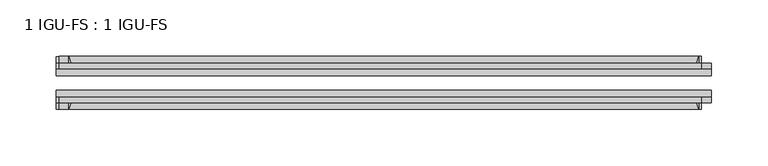
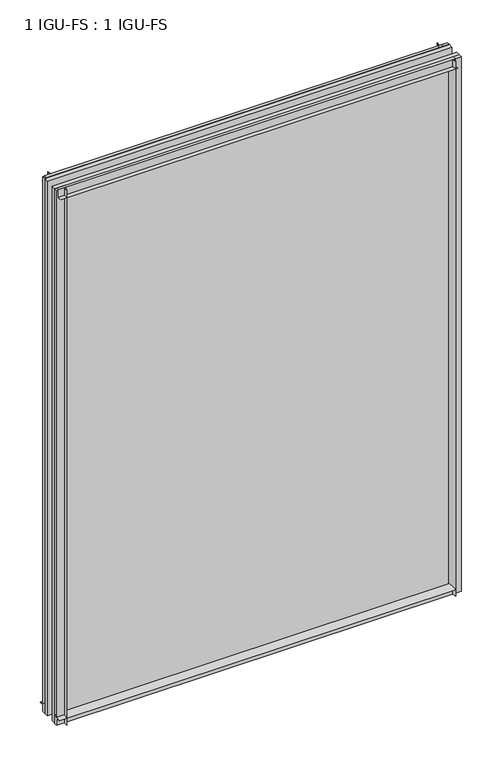
"""IFC4 building model written with IfcOpenShell, lengths in millimetres: plate geometry, 1 IGU-FS : 1 IGU-FS."""

from ifc_helpers import new_model, si_unit, point, frame, frame_2d, origin, place, context, project, spatial, polyline, circle_curve, trimmed, segment, composite_curve, outline, extrude, source, transform, mapped, element, save


def plate_1_igu_fs_1_igu_fs_b3210930(model_context):
    return source(origin(), model_context, "Body", "SweptSolid", [
        extrude(outline(composite_curve([segment(polyline([(-40.084375, 3.8978906), (-40.084375, -10.3378), (-44.859575, -10.3378), (-44.859575, 0.0), (-50.8285753, 0.0)]), True, "CONTINUOUS"), segment(trimmed(circle_curve(frame_2d((-56.4601953, 32.279754)), 32.7673262), [point((-50.8285753, 0.0))], [point((-40.084375, 3.8978906))], True, "CARTESIAN"), True, "CONTINUOUS")], self_intersect=False)), frame((-290.5121031, 0.0, 0.0), z_axis=(1.0, 0.0, 0.0), x_axis=(0.0, 1.0, 0.0)), (0.0, 0.0, 1.0), 569.9117062),
        extrude(outline(composite_curve([segment(polyline([(-3.940175, 0.0), (-9.909175, 0.0), (-9.909175, -10.3378), (-14.684375, -10.3378), (-14.684375, 3.8978906)]), True, "CONTINUOUS"), segment(trimmed(circle_curve(frame_2d((1.6914453, 32.279754)), 32.7673262), [point((-14.684375, 3.8978906))], [point((-3.940175, 0.0))], True, "CARTESIAN"), True, "CONTINUOUS")], self_intersect=False)), frame((-290.5121031, 0.0, 0.0), z_axis=(1.0, 0.0, 0.0), x_axis=(0.0, 1.0, 0.0)), (0.0, 0.0, 1.0), 569.9117062),
        extrude(outline(composite_curve([segment(polyline([(-9.909175, 801.6875), (-9.909175, 790.575), (-3.9401753, 790.575)]), True, "CONTINUOUS"), segment(trimmed(circle_curve(frame_2d((1.6914453, 758.2952461)), 32.7673262), [point((-3.9401753, 790.575))], [point((-14.684375, 786.6771095))], True, "CARTESIAN"), True, "CONTINUOUS"), segment(polyline([(-14.684375, 786.6771095), (-14.684375, 801.6875), (-9.909175, 801.6875)]), True, "CONTINUOUS")], self_intersect=False)), frame((-287.9123418, 0.0, 0.0), z_axis=(1.0, 0.0, 0.0), x_axis=(0.0, 1.0, 0.0)), (0.0, 0.0, 1.0), 569.8579064),
        extrude(outline(composite_curve([segment(polyline([(-40.084375, 801.6875), (-40.084375, 786.6771095)]), True, "CONTINUOUS"), segment(trimmed(circle_curve(frame_2d((-56.4601953, 758.2952461)), 32.7673262), [point((-40.084375, 786.6771095))], [point((-50.8285747, 790.575))], True, "CARTESIAN"), True, "CONTINUOUS"), segment(polyline([(-50.8285747, 790.575), (-44.859575, 790.575), (-44.859575, 801.6875), (-40.084375, 801.6875)]), True, "CONTINUOUS")], self_intersect=False)), frame((-287.9123418, 0.0, 0.0), z_axis=(1.0, 0.0, 0.0), x_axis=(0.0, 1.0, 0.0)), (0.0, 0.0, 1.0), 569.8579064),
        extrude(outline(composite_curve([segment(polyline([(290.5121031, -9.909175), (290.5121031, -14.684375), (275.5017126, -14.684375)]), True, "CONTINUOUS"), segment(trimmed(circle_curve(frame_2d((247.1198492, 1.6914453)), 32.7673262), [point((275.5017126, -14.684375))], [point((279.3996031, -3.940175))], True, "CARTESIAN"), True, "CONTINUOUS"), segment(polyline([(279.3996031, -3.940175), (279.3996031, -9.909175), (290.5121031, -9.909175)]), True, "CONTINUOUS")], self_intersect=False)), frame((0.0, 0.0, -10.31875), z_axis=(0.0, 0.0, 1.0), x_axis=(1.0, 0.0, 0.0)), (0.0, 0.0, 1.0), 812.00625),
        extrude(outline(composite_curve([segment(polyline([(290.5121031, -40.084375), (290.5121031, -44.859575), (279.3996031, -44.859575), (279.3996031, -50.828575)]), True, "CONTINUOUS"), segment(trimmed(circle_curve(frame_2d((247.1198492, -56.4601953)), 32.7673262), [point((279.3996031, -50.828575))], [point((275.5017126, -40.084375))], True, "CARTESIAN"), True, "CONTINUOUS"), segment(polyline([(275.5017126, -40.084375), (290.5121031, -40.084375)]), True, "CONTINUOUS")], self_intersect=False)), frame((0.0, 0.0, -10.31875), z_axis=(0.0, 0.0, 1.0), x_axis=(1.0, 0.0, 0.0)), (0.0, 0.0, 1.0), 812.00625),
        extrude(outline(composite_curve([segment(polyline([(-290.5121031, -9.909175), (-279.3996031, -9.909175), (-279.3996031, -3.940175)]), True, "CONTINUOUS"), segment(trimmed(circle_curve(frame_2d((-247.1198492, 1.6914453)), 32.7673262), [point((-279.3996031, -3.940175))], [point((-275.5017126, -14.684375))], True, "CARTESIAN"), True, "CONTINUOUS"), segment(polyline([(-275.5017126, -14.684375), (-290.5121031, -14.684375), (-290.5121031, -9.909175)]), True, "CONTINUOUS")], self_intersect=False)), frame((0.0, 0.0, -10.31875), z_axis=(0.0, 0.0, 1.0), x_axis=(1.0, 0.0, 0.0)), (0.0, 0.0, 1.0), 812.00625),
        extrude(outline(composite_curve([segment(polyline([(-290.5121031, -44.859575), (-290.5121031, -40.084375), (-275.5017126, -40.084375)]), True, "CONTINUOUS"), segment(trimmed(circle_curve(frame_2d((-247.1198492, -56.4601953)), 32.7673262), [point((-275.5017126, -40.084375))], [point((-279.3996031, -50.828575))], True, "CARTESIAN"), True, "CONTINUOUS"), segment(polyline([(-279.3996031, -50.828575), (-279.3996031, -44.859575), (-290.5121031, -44.859575)]), True, "CONTINUOUS")], self_intersect=False)), frame((0.0, 0.0, -10.31875), z_axis=(0.0, 0.0, 1.0), x_axis=(1.0, 0.0, 0.0)), (0.0, 0.0, 1.0), 812.00625),
        extrude(outline(polyline([(-290.5121031, -40.084375), (-290.5121031, -33.785175), (290.5121031, -33.785175), (290.5121031, -40.084375), (-290.5121031, -40.084375)])), frame((0.0, 0.0, -10.31875), z_axis=(0.0, 0.0, 1.0), x_axis=(1.0, 0.0, 0.0)), (0.0, 0.0, 1.0), 812.00625),
        extrude(outline(polyline([(290.5121031, -20.983575), (-290.5121031, -20.983575), (-290.5121031, -14.684375), (290.5121031, -14.684375), (290.5121031, -20.983575)])), frame((0.0, 0.0, -10.31875), z_axis=(0.0, 0.0, 1.0), x_axis=(1.0, 0.0, 0.0)), (0.0, 0.0, 1.0), 812.00625),
    ])


if __name__ == "__main__":
    model = new_model("IFC4")
    model_context = context("Model", 3, world=origin())
    ifc_project = project(units=[si_unit("LENGTHUNIT", "METRE", prefix="MILLI")], contexts=[model_context])
    site = spatial("IfcSite", under=ifc_project)
    building = spatial("IfcBuilding", under=site)
    placement = place(None, origin())
    plate_1_igu_fs_1_igu_fs_shape = plate_1_igu_fs_1_igu_fs_b3210930(model_context)
    element("IfcPlate", 1, ObjectType="1 IGU-FS : 1 IGU-FS", at=placement, inside=building, context=model_context, shape_type="MappedRepresentation", body=[
        mapped(plate_1_igu_fs_1_igu_fs_shape, transform((0.0, 0.0, 0.0), x_axis=(1.0, 0.0, 0.0), y_axis=(0.0, 1.0, 0.0), z_axis=(0.0, 0.0, 1.0))),
    ])
    save(model, "model.ifc")
